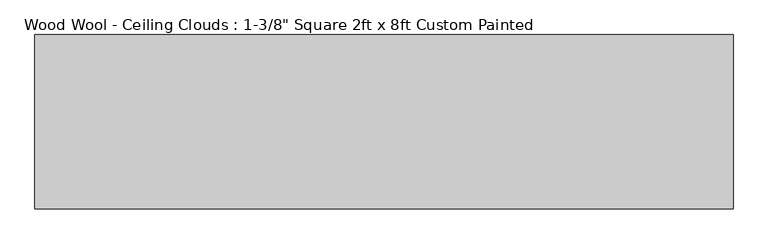
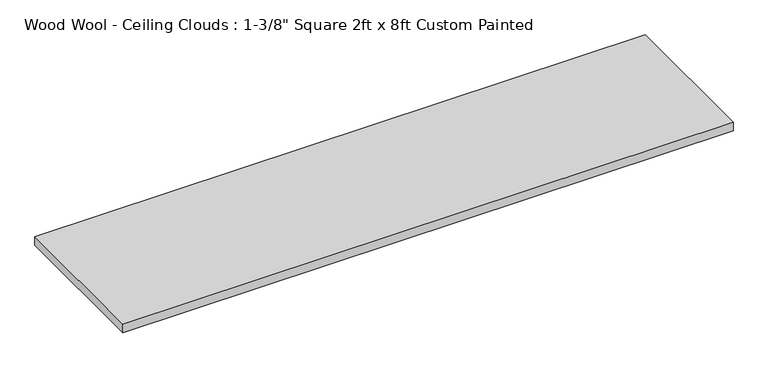
"""IFC4 building model written with IfcOpenShell, lengths in millimetres: proxy geometry."""

from ifc_helpers import new_model, si_unit, frame, origin, place, context, project, spatial, polyline, outline, extrude, source, transform, mapped, element, save


def proxy_51e29345(model_context):
    return source(origin(), model_context, "Body", "SweptSolid", [
        extrude(outline(polyline([(-1219.2, -304.8), (-1219.2, 304.8), (1219.2, 304.8), (1219.2, -304.8), (-1219.2, -304.8)])), frame((0.0, 0.0, -34.925), z_axis=(0.0, 0.0, 1.0), x_axis=(1.0, 0.0, 0.0)), (0.0, 0.0, 1.0), 34.925),
    ])


if __name__ == "__main__":
    model = new_model("IFC4")
    model_context = context("Model", 3, world=origin())
    ifc_project = project(units=[si_unit("LENGTHUNIT", "METRE", prefix="MILLI")], contexts=[model_context])
    site = spatial("IfcSite", under=ifc_project)
    building = spatial("IfcBuilding", under=site)
    placement = place(None, origin())
    proxy_shape = proxy_51e29345(model_context)
    element("IfcBuildingElementProxy", 1, Name="Wood Wool - Ceiling Clouds : 1-3/8\" Square 2ft x 8ft Custom Painted", ObjectType="Wood Wool - Ceiling Clouds : 1-3/8\" Square 2ft x 8ft Custom Painted", at=placement, inside=building, context=model_context, shape_type="MappedRepresentation", body=[
        mapped(proxy_shape, transform((0.0, 0.0, 0.0), x_axis=(1.0, 0.0, 0.0), y_axis=(0.0, 1.0, 0.0), z_axis=(0.0, 0.0, 1.0))),
    ])
    save(model, "model.ifc")
